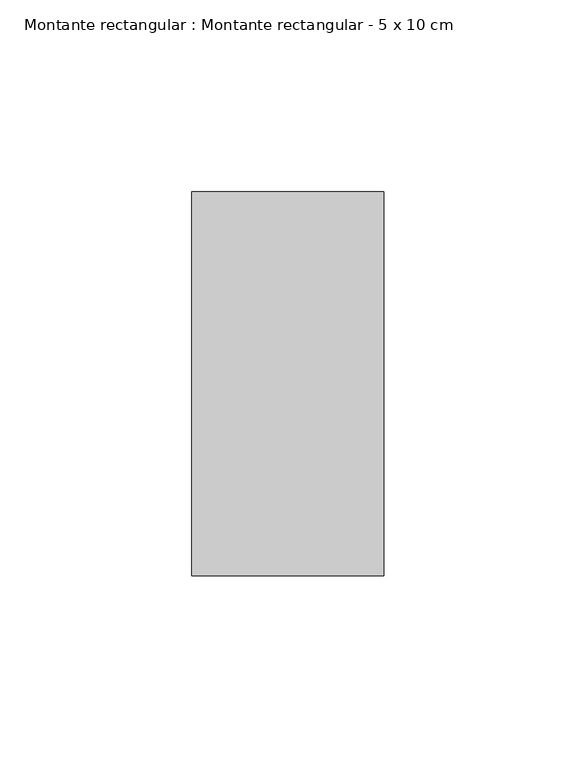
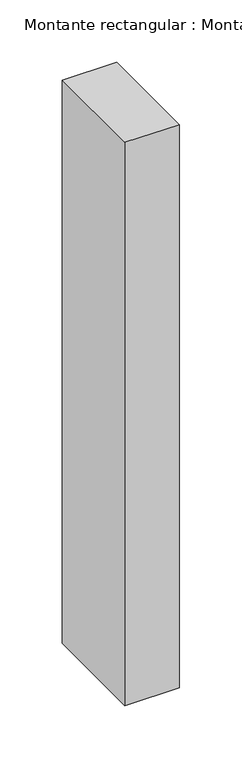
"""IFC4 building model written with IfcOpenShell, lengths in millimetres: member geometry, Montante rectangular : Montante rectangular - 5 x 10 cm."""

from ifc_helpers import new_model, si_unit, frame, origin, place, context, project, spatial, polyline, outline, extrude, source, transform, mapped, element, save


def montante_rectangular_montante_rectangular_5_x_10_cm_a50df724(model_context):
    return source(origin(), model_context, "Body", "SweptSolid", [
        extrude(outline(polyline([(0.0, 50.0), (0.0, -50.0), (-50.0, -50.0), (-50.0, 50.0), (0.0, 50.0)])), frame((0.0, 0.0, -550.0), z_axis=(0.0, 0.0, 1.0), x_axis=(1.0, 0.0, 0.0)), (0.0, 0.0, 1.0), 550.0),
    ])


if __name__ == "__main__":
    model = new_model("IFC4")
    model_context = context("Model", 3, world=origin())
    ifc_project = project(units=[si_unit("LENGTHUNIT", "METRE", prefix="MILLI")], contexts=[model_context])
    site = spatial("IfcSite", under=ifc_project)
    building = spatial("IfcBuilding", under=site)
    placement = place(None, origin())
    montante_rectangular_montante_rectangular_5_x_10_cm_shape = montante_rectangular_montante_rectangular_5_x_10_cm_a50df724(model_context)
    element("IfcMember", 1, ObjectType="Montante rectangular : Montante rectangular - 5 x 10 cm", at=placement, inside=building, context=model_context, shape_type="MappedRepresentation", body=[
        mapped(montante_rectangular_montante_rectangular_5_x_10_cm_shape, transform((0.0, 0.0, 0.0), x_axis=(1.0, 0.0, 0.0), y_axis=(0.0, 1.0, 0.0), z_axis=(0.0, 0.0, 1.0))),
    ])
    save(model, "model.ifc")
